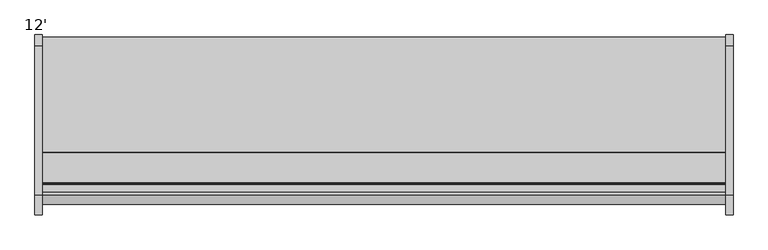
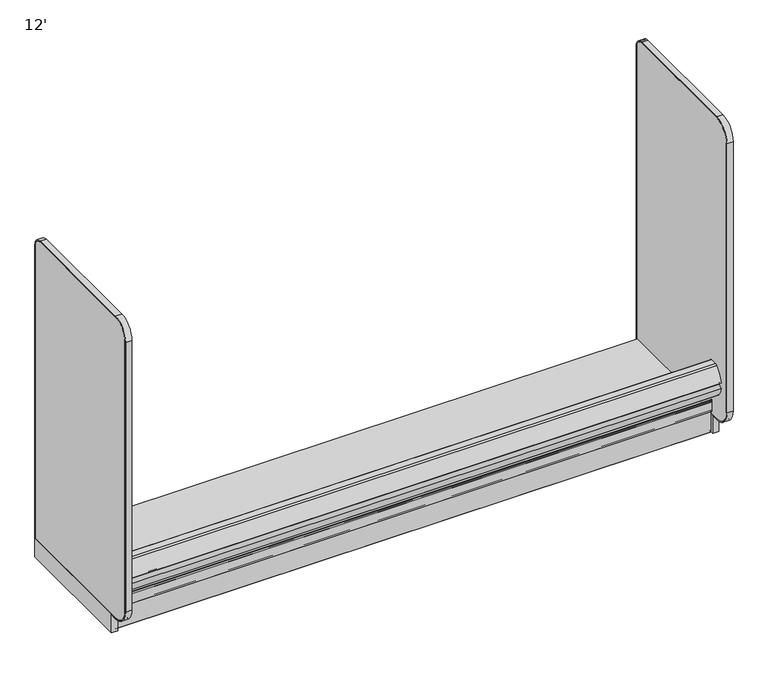
"""IFC4 building model written with IfcOpenShell, lengths in millimetres: proxy geometry, 12'."""

from ifc_helpers import new_model, si_unit, point, frame, frame_2d, origin, origin_with_axes, place, context, project, spatial, polyline, circle_curve, trimmed, segment, composite_curve, outline, extrude, source, transform, mapped, element, save
from ifc_brep_helpers import plane_surface, cylinder_surface, revolved_surface, advanced_brep


def proxy_12_e2f0a7e3(model_context):
    return source(origin(), model_context, "Body", "SolidModel", [
        extrude(outline(composite_curve([segment(polyline([(-1243.8542655, 286.2737065), (-1261.7115584, 286.2737065)]), True, "CONTINUOUS"), segment(trimmed(circle_curve(frame_2d((-1260.9098694, 292.6237065)), 6.4004067), [point((-1261.7115584, 286.2737065))], [point((-1265.7089904, 288.3888933))], False, "CARTESIAN"), True, "CONTINUOUS"), segment(trimmed(circle_curve(frame_2d((-1170.6951097, 372.230503)), 126.7164276), [point((-1265.7089904, 288.3888933))], [point((-1295.6416388, 351.1255769))], False, "CARTESIAN"), True, "CONTINUOUS"), segment(trimmed(circle_curve(frame_2d((-1293.1554914, 368.3)), 17.3534359), [point((-1295.6416388, 351.1255769))], [point((-1275.8020556, 368.3))], True, "CARTESIAN"), True, "CONTINUOUS"), segment(trimmed(circle_curve(frame_2d((-1293.1554914, 368.3)), 17.3534359), [point((-1275.8020556, 368.3))], [point((-1295.5974754, 385.4807581))], True, "CARTESIAN"), True, "CONTINUOUS"), segment(trimmed(circle_curve(frame_2d((-1123.5833576, 340.4920564)), 177.8), [point((-1295.5974754, 385.4807581))], [point((-1246.7017432, 468.7679432))], False, "CARTESIAN"), True, "CONTINUOUS"), segment(trimmed(circle_curve(frame_2d((-1231.2086688, 452.6258548)), 22.3741452), [point((-1246.7017432, 468.7679432))], [point((-1231.2086688, 475.0))], False, "CARTESIAN"), True, "CONTINUOUS"), segment(polyline([(-1231.2086688, 475.0), (-1191.1416396, 475.0)]), True, "CONTINUOUS"), segment(trimmed(circle_curve(frame_2d((-1191.1416396, 471.8702298)), 3.1297702), [point((-1191.1416396, 475.0))], [point((-1188.0118694, 471.8702298))], False, "CARTESIAN"), True, "CONTINUOUS"), segment(polyline([(-1188.0118694, 471.8702298), (-1188.0118694, 435.4061531), (-1192.8459273, 435.4061531), (-1192.8459273, 391.0306785), (-1243.8542655, 391.0306785), (-1243.8542655, 286.2737065)]), True, "CONTINUOUS")], self_intersect=False)), frame((0.0, 0.0, 0.0), z_axis=(1.0, 0.0, 0.0), x_axis=(0.0, 1.0, 0.0)), (0.0, 0.0, 1.0), 3657.6),
        advanced_brep(
        [(3657.6, -1193.9235446, 202.62215), (3657.6, -1191.4724446, 200.17105), (3657.6, -1185.3954946, 200.17105), (3657.6, -1183.7952946, 198.57085), (3657.6, -1183.7952946, 164.8413675), (3657.6, -1185.5732946, 164.8413675), (3657.6, -1185.5732946, 1.55575), (3657.6, -1184.0175446, 0.0), (3657.6, -1166.8090379, 0.0), (3657.6, -1166.8090379, 0.762), (3657.6, -1184.0175446, 0.762), (3657.6, -1184.8112946, 1.55575), (3657.6, -1183.7952946, 1.55575), (3657.6, -1183.7952946, 95.4659), (3657.6, -1182.9316946, 95.4659), (3657.6, -1182.9316946, 198.57085), (3657.6, -1185.3954946, 201.03465), (3657.6, -1191.3975765, 201.03465), (3657.6, -1193.0599446, 202.6970181), (3657.6, -1193.0599446, 214.9081137), (3657.6, -1194.8379446, 214.9081137), (3657.6, -1194.8379446, 140.8717318), (3657.6, -1193.0599446, 140.8717318), (3657.6, -1193.0599446, 150.2537), (3657.6, -1193.9235446, 150.2537), (0.0, -1193.9235446, 202.62215), (0.0, -1193.9235446, 150.2537), (0.0, -1193.0599446, 150.2537), (0.0, -1193.0599446, 140.8717318), (0.0, -1194.8379446, 140.8717318), (0.0, -1194.8379446, 214.9081137), (0.0, -1193.0599446, 214.9081137), (0.0, -1193.0599446, 202.6970181), (0.0, -1191.3975765, 201.03465), (0.0, -1185.3954946, 201.03465), (0.0, -1182.9316946, 198.57085), (0.0, -1182.9316946, 95.4659), (0.0, -1183.7952946, 95.4659), (0.0, -1183.7952946, 1.55575), (0.0, -1184.8112946, 1.55575), (0.0, -1184.0175446, 0.762), (0.0, -1166.8090379, 0.762), (0.0, -1166.8090379, 0.0), (0.0, -1184.0175446, 0.0), (0.0, -1185.5732946, 1.55575), (0.0, -1185.5732946, 164.8413675), (0.0, -1183.7952946, 164.8413675), (0.0, -1183.7952946, 198.57085), (0.0, -1185.3954946, 200.17105), (0.0, -1191.4724446, 200.17105)],
        [
            (0, 1, circle_curve(frame((3657.6, -1191.4724446, 202.62215), z_axis=(1.0, 0.0, 0.0), x_axis=(0.0, 1.0, 0.0)), 2.4511)),
            (1, 2),
            (2, 3, circle_curve(frame((3657.6, -1185.3954946, 198.57085), z_axis=(-1.0, 0.0, 0.0), x_axis=(0.0, 1.0, 0.0)), 1.6002)),
            (3, 4),
            (4, 5, circle_curve(frame((3657.6, -1184.6842946, 164.8413675), z_axis=(1.0, 0.0, 0.0), x_axis=(0.0, 1.0, 0.0)), 0.889)),
            (5, 6),
            (6, 7, circle_curve(frame((3657.6, -1184.0175446, 1.55575), z_axis=(1.0, 0.0, 0.0), x_axis=(0.0, 1.0, 0.0)), 1.55575)),
            (7, 8),
            (8, 9, circle_curve(frame((3657.6, -1166.8090379, 0.381), z_axis=(1.0, 0.0, 0.0), x_axis=(0.0, 1.0, 0.0)), 0.381)),
            (9, 10),
            (10, 11, circle_curve(frame((3657.6, -1184.0175446, 1.55575), z_axis=(-1.0, 0.0, 0.0), x_axis=(0.0, 1.0, 0.0)), 0.79375)),
            (11, 12),
            (12, 13),
            (13, 14),
            (14, 15),
            (15, 16, circle_curve(frame((3657.6, -1185.3954946, 198.57085), z_axis=(1.0, 0.0, 0.0), x_axis=(0.0, 1.0, 0.0)), 2.4638)),
            (16, 17),
            (17, 18, circle_curve(frame((3657.6, -1191.3975765, 202.6970181), z_axis=(-1.0, 0.0, 0.0), x_axis=(0.0, 1.0, 0.0)), 1.6623681)),
            (18, 19),
            (19, 20, circle_curve(frame((3657.6, -1193.9489446, 214.9081137), z_axis=(1.0, 0.0, 0.0), x_axis=(0.0, 1.0, 0.0)), 0.889)),
            (20, 21),
            (21, 22, circle_curve(frame((3657.6, -1193.9489446, 140.8717318), z_axis=(1.0, 0.0, 0.0), x_axis=(0.0, 1.0, 0.0)), 0.889)),
            (22, 23),
            (23, 24),
            (24, 0),
            (25, 26),
            (26, 27),
            (27, 28),
            (28, 29, circle_curve(frame((0.0, -1193.9489446, 140.8717318), z_axis=(-1.0, 0.0, 0.0), x_axis=(0.0, 1.0, 0.0)), 0.889)),
            (29, 30),
            (30, 31, circle_curve(frame((0.0, -1193.9489446, 214.9081137), z_axis=(-1.0, 0.0, 0.0), x_axis=(0.0, 1.0, 0.0)), 0.889)),
            (31, 32),
            (32, 33, circle_curve(frame((0.0, -1191.3975765, 202.6970181), z_axis=(1.0, 0.0, 0.0), x_axis=(0.0, 1.0, 0.0)), 1.6623681)),
            (33, 34),
            (34, 35, circle_curve(frame((0.0, -1185.3954946, 198.57085), z_axis=(-1.0, 0.0, 0.0), x_axis=(0.0, 1.0, 0.0)), 2.4638)),
            (35, 36),
            (36, 37),
            (37, 38),
            (38, 39),
            (39, 40, circle_curve(frame((0.0, -1184.0175446, 1.55575), z_axis=(1.0, 0.0, 0.0), x_axis=(0.0, 1.0, 0.0)), 0.79375)),
            (40, 41),
            (41, 42, circle_curve(frame((0.0, -1166.8090379, 0.381), z_axis=(-1.0, 0.0, 0.0), x_axis=(0.0, 1.0, 0.0)), 0.381)),
            (42, 43),
            (43, 44, circle_curve(frame((0.0, -1184.0175446, 1.55575), z_axis=(-1.0, 0.0, 0.0), x_axis=(0.0, 1.0, 0.0)), 1.55575)),
            (44, 45),
            (45, 46, circle_curve(frame((0.0, -1184.6842946, 164.8413675), z_axis=(-1.0, 0.0, 0.0), x_axis=(0.0, 1.0, 0.0)), 0.889)),
            (46, 47),
            (47, 48, circle_curve(frame((0.0, -1185.3954946, 198.57085), z_axis=(1.0, 0.0, 0.0), x_axis=(0.0, 1.0, 0.0)), 1.6002)),
            (48, 49),
            (49, 25, circle_curve(frame((0.0, -1191.4724446, 202.62215), z_axis=(-1.0, 0.0, 0.0), x_axis=(0.0, 1.0, 0.0)), 2.4511)),
            (0, 25),
            (49, 1),
            (48, 2),
            (47, 3),
            (46, 4),
            (45, 5),
            (44, 6),
            (43, 7),
            (42, 8),
            (41, 9),
            (40, 10),
            (39, 11),
            (38, 12),
            (37, 13),
            (36, 14),
            (35, 15),
            (34, 16),
            (33, 17),
            (32, 18),
            (31, 19),
            (30, 20),
            (29, 21),
            (28, 22),
            (27, 23),
            (26, 24),
        ],
        [
            plane_surface(frame((3657.6, -1189.0213446, 202.62215), z_axis=(1.0, 0.0, 0.0), x_axis=(0.0, 0.0, 1.0))),
            plane_surface(frame((0.0, -1189.0213446, 202.62215), z_axis=(-1.0, 0.0, 0.0), x_axis=(0.0, 0.0, -1.0))),
            cylinder_surface(frame((0.0, -1191.4724446, 202.62215), z_axis=(1.0, 0.0, 0.0), x_axis=(0.0, 1.0, 0.0)), 2.4511),
            plane_surface(frame((3657.6, -1191.4724446, 200.17105), z_axis=(0.0, 0.0, -1.0), x_axis=(-1.0, 0.0, 0.0))),
            revolved_surface(polyline([(0.0, -1183.7952945999998, 198.57085), (3657.6, -1183.7952945999998, 198.57085)]), (0.0, -1185.3954946, 198.57085), (-1.0, 0.0, 0.0)),
            plane_surface(frame((3657.6, -1183.7952946, 198.57085), z_axis=(0.0, -1.0, 0.0), x_axis=(-1.0, 0.0, 0.0))),
            cylinder_surface(frame((0.0, -1184.6842946, 164.8413675), z_axis=(1.0, 0.0, 0.0), x_axis=(0.0, 1.0, 0.0)), 0.889),
            plane_surface(frame((3657.6, -1185.5732946, 164.8413675), z_axis=(0.0, -1.0, 0.0), x_axis=(-1.0, 0.0, 0.0))),
            cylinder_surface(frame((0.0, -1184.0175446, 1.55575), z_axis=(1.0, 0.0, 0.0), x_axis=(0.0, 1.0, 0.0)), 1.55575),
            plane_surface(frame((3657.6, -1184.0175446, 0.0), z_axis=(0.0, 0.0, -1.0), x_axis=(-1.0, 0.0, 0.0))),
            cylinder_surface(frame((0.0, -1166.8090379, 0.381), z_axis=(1.0, 0.0, 0.0), x_axis=(0.0, 1.0, 0.0)), 0.381),
            plane_surface(frame((3657.6, -1166.8090379, 0.762), z_axis=(0.0, 0.0, 1.0), x_axis=(-1.0, 0.0, 0.0))),
            revolved_surface(polyline([(0.0, -1183.2237946, 1.55575), (3657.6, -1183.2237946, 1.55575)]), (0.0, -1184.0175446, 1.55575), (-1.0, 0.0, 0.0)),
            plane_surface(frame((3657.6, -1184.8112946, 1.55575), z_axis=(0.0, 0.0, -1.0), x_axis=(-1.0, 0.0, 0.0))),
            plane_surface(frame((3657.6, -1183.7952946, 1.55575), z_axis=(0.0, 1.0, 0.0), x_axis=(-1.0, 0.0, 0.0))),
            plane_surface(frame((3657.6, -1183.7952946, 95.4659), z_axis=(0.0, 0.0, -1.0), x_axis=(-1.0, 0.0, 0.0))),
            plane_surface(frame((3657.6, -1182.9316946, 95.4659), z_axis=(0.0, 1.0, 0.0), x_axis=(-1.0, 0.0, 0.0))),
            cylinder_surface(frame((0.0, -1185.3954946, 198.57085), z_axis=(1.0, 0.0, 0.0), x_axis=(0.0, 1.0, 0.0)), 2.4638),
            plane_surface(frame((3657.6, -1185.3954946, 201.03465), z_axis=(0.0, 0.0, 1.0), x_axis=(-1.0, 0.0, 0.0))),
            revolved_surface(polyline([(0.0, -1189.7352084, 202.6970181), (3657.6, -1189.7352084, 202.6970181)]), (0.0, -1191.3975765, 202.6970181), (-1.0, 0.0, 0.0)),
            plane_surface(frame((3657.6, -1193.0599446, 202.6970181), z_axis=(0.0, 1.0, 0.0), x_axis=(-1.0, 0.0, 0.0))),
            cylinder_surface(frame((0.0, -1193.9489446, 214.9081137), z_axis=(1.0, 0.0, 0.0), x_axis=(0.0, 1.0, 0.0)), 0.889),
            plane_surface(frame((3657.6, -1194.8379446, 214.9081137), z_axis=(0.0, -1.0, 0.0), x_axis=(-1.0, 0.0, 0.0))),
            cylinder_surface(frame((0.0, -1193.9489446, 140.8717318), z_axis=(1.0, 0.0, 0.0), x_axis=(0.0, 1.0, 0.0)), 0.889),
            plane_surface(frame((3657.6, -1193.0599446, 140.8717318), z_axis=(0.0, 1.0, 0.0), x_axis=(-1.0, 0.0, 0.0))),
            plane_surface(frame((3657.6, -1193.0599446, 150.2537), z_axis=(0.0, 0.0, 1.0), x_axis=(-1.0, 0.0, 0.0))),
            plane_surface(frame((3657.6, -1193.9235446, 150.2537), z_axis=(0.0, 1.0, 0.0), x_axis=(-1.0, 0.0, 0.0))),
        ],
        [
            (0, [[1, 2, 3, 4, 5, 6, 7, 8, 9, 10, 11, 12, 13, 14, 15, 16, 17, 18, 19, 20, 21, 22, 23, 24, 25]]),
            (1, [[26, 27, 28, 29, 30, 31, 32, 33, 34, 35, 36, 37, 38, 39, 40, 41, 42, 43, 44, 45, 46, 47, 48, 49, 50]]),
            (2, [[-1, 51, -50, 52]]),
            (3, [[-2, -52, -49, 53]]),
            (4, [[-3, -53, -48, 54]]),
            (5, [[-4, -54, -47, 55]]),
            (6, [[-5, -55, -46, 56]]),
            (7, [[-6, -56, -45, 57]]),
            (8, [[-7, -57, -44, 58]]),
            (9, [[-8, -58, -43, 59]]),
            (10, [[-9, -59, -42, 60]]),
            (11, [[-10, -60, -41, 61]]),
            (12, [[-11, -61, -40, 62]]),
            (13, [[-12, -62, -39, 63]]),
            (14, [[-13, -63, -38, 64]]),
            (15, [[-14, -64, -37, 65]]),
            (16, [[-15, -65, -36, 66]]),
            (17, [[-16, -66, -35, 67]]),
            (18, [[-17, -67, -34, 68]]),
            (19, [[-18, -68, -33, 69]]),
            (20, [[-19, -69, -32, 70]]),
            (21, [[-20, -70, -31, 71]]),
            (22, [[-21, -71, -30, 72]]),
            (23, [[-22, -72, -29, 73]]),
            (24, [[-23, -73, -28, 74]]),
            (25, [[-24, -74, -27, 75]]),
            (26, [[-25, -75, -26, -51]]),
        ],
    ),
        extrude(outline(composite_curve([segment(polyline([(-1017.4379946, 26.7240044), (-1086.7444337, 8.1534), (-1178.9692946, 8.1534)]), True, "CONTINUOUS"), segment(trimmed(circle_curve(frame_2d((-1178.9692946, 12.1158)), 3.9624), [point((-1178.9692946, 8.1534))], [point((-1182.9316946, 12.1158))], False, "CARTESIAN"), True, "CONTINUOUS"), segment(polyline([(-1182.9316946, 12.1158), (-1182.9316946, 123.6472)]), True, "CONTINUOUS"), segment(trimmed(circle_curve(frame_2d((-1177.7754946, 123.6472)), 5.1562), [point((-1182.9316946, 123.6472))], [point((-1177.7754946, 128.8034))], False, "CARTESIAN"), True, "CONTINUOUS"), segment(polyline([(-1177.7754946, 128.8034), (-1022.5941946, 128.8034)]), True, "CONTINUOUS"), segment(trimmed(circle_curve(frame_2d((-1022.5941946, 123.6472)), 5.1562), [point((-1022.5941946, 128.8034))], [point((-1017.4379946, 123.6472))], False, "CARTESIAN"), True, "CONTINUOUS"), segment(polyline([(-1017.4379946, 123.6472), (-1017.4379946, 26.7240044)]), True, "CONTINUOUS")], self_intersect=False)), frame((0.0, 0.0, 0.0), z_axis=(1.0, 0.0, 0.0), x_axis=(0.0, 1.0, 0.0)), (0.0, 0.0, 1.0), 3657.6),
        extrude(outline(composite_curve([segment(trimmed(circle_curve(frame_2d((-403.8965273, 5.1562)), 2.3876), [point((-401.5089273, 5.1562))], [point((-403.8965273, 2.7686))], False, "CARTESIAN"), True, "CONTINUOUS"), segment(polyline([(-403.8965273, 2.7686), (-436.5089273, 2.7686), (-436.5089273, 74.8810382), (-980.5089273, 74.8810382), (-980.5089273, 2.7751857), (-1015.0491667, 2.7751857)]), True, "CONTINUOUS"), segment(trimmed(circle_curve(frame_2d((-1015.0491667, 5.1667924)), 2.3916067), [point((-1015.0491667, 2.7751857))], [point((-1017.4407734, 5.1667924))], False, "CARTESIAN"), True, "CONTINUOUS"), segment(polyline([(-1017.4407734, 5.1667924), (-1017.4407734, 130.175), (-401.5089273, 130.175), (-401.5089273, 5.1562)]), True, "CONTINUOUS")], self_intersect=False)), frame((0.0, 0.0, 0.0), z_axis=(1.0, 0.0, 0.0), x_axis=(0.0, 1.0, 0.0)), (0.0, 0.0, 1.0), 3657.6),
        extrude(outline(composite_curve([segment(polyline([(-395.1589273, 123.825), (-1245.9560256, 123.825)]), True, "CONTINUOUS"), segment(trimmed(circle_curve(frame_2d((-1245.9560256, 225.425)), 101.6), [point((-1245.9560256, 123.825))], [point((-1347.5560256, 225.425))], False, "CARTESIAN"), True, "CONTINUOUS"), segment(polyline([(-1347.5560256, 225.425), (-1347.5560256, 1978.025)]), True, "CONTINUOUS"), segment(trimmed(circle_curve(frame_2d((-1245.9560256, 1978.025)), 101.6), [point((-1347.5560256, 1978.025))], [point((-1245.9560256, 2079.625))], False, "CARTESIAN"), True, "CONTINUOUS"), segment(polyline([(-1245.9560256, 2079.625), (-445.9589273, 2079.625)]), True, "CONTINUOUS"), segment(trimmed(circle_curve(frame_2d((-445.9589273, 2028.825)), 50.8), [point((-445.9589273, 2079.625))], [point((-395.1589273, 2028.825))], False, "CARTESIAN"), True, "CONTINUOUS"), segment(polyline([(-395.1589273, 2028.825), (-395.1589273, 123.825)]), True, "CONTINUOUS")], self_intersect=False)), frame((3657.6, 0.0, 0.0), z_axis=(1.0, 0.0, 0.0), x_axis=(0.0, 1.0, 0.0)), (0.0, 0.0, 1.0), 38.1),
        extrude(outline(composite_curve([segment(polyline([(-445.9589273, 2079.625), (-1245.9560256, 2079.625)]), True, "CONTINUOUS"), segment(trimmed(circle_curve(frame_2d((-1245.9560256, 1978.025)), 101.6), [point((-1245.9560256, 2079.625))], [point((-1347.5560256, 1978.025))], True, "CARTESIAN"), True, "CONTINUOUS"), segment(polyline([(-1347.5560256, 1978.025), (-1347.5560256, 225.425)]), True, "CONTINUOUS"), segment(trimmed(circle_curve(frame_2d((-1245.9560256, 225.425)), 101.6), [point((-1347.5560256, 225.425))], [point((-1245.9560256, 123.825))], True, "CARTESIAN"), True, "CONTINUOUS"), segment(polyline([(-1245.9560256, 123.825), (-1202.4531511, 123.825), (-1202.4531511, 117.475), (-1245.9560256, 117.475)]), True, "CONTINUOUS"), segment(trimmed(circle_curve(frame_2d((-1245.9560256, 225.425)), 107.95), [point((-1245.9560256, 117.475))], [point((-1353.9060256, 225.425))], False, "CARTESIAN"), True, "CONTINUOUS"), segment(polyline([(-1353.9060256, 225.425), (-1353.9060256, 1978.025)]), True, "CONTINUOUS"), segment(trimmed(circle_curve(frame_2d((-1245.9560256, 1978.025)), 107.95), [point((-1353.9060256, 1978.025))], [point((-1245.9560256, 2085.975))], False, "CARTESIAN"), True, "CONTINUOUS"), segment(polyline([(-1245.9560256, 2085.975), (-445.9589273, 2085.975)]), True, "CONTINUOUS"), segment(trimmed(circle_curve(frame_2d((-445.9589273, 2028.825)), 57.15), [point((-445.9589273, 2085.975))], [point((-388.8089273, 2028.825))], False, "CARTESIAN"), True, "CONTINUOUS"), segment(polyline([(-388.8089273, 2028.825), (-388.8089273, 123.825), (-395.1589273, 123.825), (-395.1589273, 2028.825)]), True, "CONTINUOUS"), segment(trimmed(circle_curve(frame_2d((-445.9589273, 2028.825)), 50.8), [point((-395.1589273, 2028.825))], [point((-445.9589273, 2079.625))], True, "CARTESIAN"), True, "CONTINUOUS")], self_intersect=False)), frame((3657.6, 0.0, 0.0), z_axis=(1.0, 0.0, 0.0), x_axis=(0.0, 1.0, 0.0)), (0.0, 0.0, 1.0), 38.1),
        extrude(outline(polyline([(3695.7, -388.8089273), (3695.7, -1202.4531511), (3657.6, -1202.4531511), (3657.6, -388.8089273), (3695.7, -388.8089273)])), origin_with_axes(), (0.0, 0.0, 1.0), 123.825),
        extrude(outline(composite_curve([segment(polyline([(-395.1589273, 123.825), (-1245.9560256, 123.825)]), True, "CONTINUOUS"), segment(trimmed(circle_curve(frame_2d((-1245.9560256, 225.425)), 101.6), [point((-1245.9560256, 123.825))], [point((-1347.5560256, 225.425))], False, "CARTESIAN"), True, "CONTINUOUS"), segment(polyline([(-1347.5560256, 225.425), (-1347.5560256, 1978.025)]), True, "CONTINUOUS"), segment(trimmed(circle_curve(frame_2d((-1245.9560256, 1978.025)), 101.6), [point((-1347.5560256, 1978.025))], [point((-1245.9560256, 2079.625))], False, "CARTESIAN"), True, "CONTINUOUS"), segment(polyline([(-1245.9560256, 2079.625), (-445.9589273, 2079.625)]), True, "CONTINUOUS"), segment(trimmed(circle_curve(frame_2d((-445.9589273, 2028.825)), 50.8), [point((-445.9589273, 2079.625))], [point((-395.1589273, 2028.825))], False, "CARTESIAN"), True, "CONTINUOUS"), segment(polyline([(-395.1589273, 2028.825), (-395.1589273, 123.825)]), True, "CONTINUOUS")], self_intersect=False)), frame((-38.1, 0.0, 0.0), z_axis=(1.0, 0.0, 0.0), x_axis=(0.0, 1.0, 0.0)), (0.0, 0.0, 1.0), 38.1),
        extrude(outline(composite_curve([segment(polyline([(-445.9589273, 2079.625), (-1245.9560256, 2079.625)]), True, "CONTINUOUS"), segment(trimmed(circle_curve(frame_2d((-1245.9560256, 1978.025)), 101.6), [point((-1245.9560256, 2079.625))], [point((-1347.5560256, 1978.025))], True, "CARTESIAN"), True, "CONTINUOUS"), segment(polyline([(-1347.5560256, 1978.025), (-1347.5560256, 225.425)]), True, "CONTINUOUS"), segment(trimmed(circle_curve(frame_2d((-1245.9560256, 225.425)), 101.6), [point((-1347.5560256, 225.425))], [point((-1245.9560256, 123.825))], True, "CARTESIAN"), True, "CONTINUOUS"), segment(polyline([(-1245.9560256, 123.825), (-1202.4531511, 123.825), (-1202.4531511, 117.475), (-1245.9560256, 117.475)]), True, "CONTINUOUS"), segment(trimmed(circle_curve(frame_2d((-1245.9560256, 225.425)), 107.95), [point((-1245.9560256, 117.475))], [point((-1353.9060256, 225.425))], False, "CARTESIAN"), True, "CONTINUOUS"), segment(polyline([(-1353.9060256, 225.425), (-1353.9060256, 1978.025)]), True, "CONTINUOUS"), segment(trimmed(circle_curve(frame_2d((-1245.9560256, 1978.025)), 107.95), [point((-1353.9060256, 1978.025))], [point((-1245.9560256, 2085.975))], False, "CARTESIAN"), True, "CONTINUOUS"), segment(polyline([(-1245.9560256, 2085.975), (-445.9589273, 2085.975)]), True, "CONTINUOUS"), segment(trimmed(circle_curve(frame_2d((-445.9589273, 2028.825)), 57.15), [point((-445.9589273, 2085.975))], [point((-388.8089273, 2028.825))], False, "CARTESIAN"), True, "CONTINUOUS"), segment(polyline([(-388.8089273, 2028.825), (-388.8089273, 123.825), (-395.1589273, 123.825), (-395.1589273, 2028.825)]), True, "CONTINUOUS"), segment(trimmed(circle_curve(frame_2d((-445.9589273, 2028.825)), 50.8), [point((-395.1589273, 2028.825))], [point((-445.9589273, 2079.625))], True, "CARTESIAN"), True, "CONTINUOUS")], self_intersect=False)), frame((-38.1, 0.0, 0.0), z_axis=(1.0, 0.0, 0.0), x_axis=(0.0, 1.0, 0.0)), (0.0, 0.0, 1.0), 38.1),
        extrude(outline(polyline([(0.0, -388.8089273), (0.0, -1202.4531511), (-38.1, -1202.4531511), (-38.1, -388.8089273), (0.0, -388.8089273)])), origin_with_axes(), (0.0, 0.0, 1.0), 123.825),
    ])


if __name__ == "__main__":
    model = new_model("IFC4")
    model_context = context("Model", 3, world=origin())
    ifc_project = project(units=[si_unit("LENGTHUNIT", "METRE", prefix="MILLI")], contexts=[model_context])
    site = spatial("IfcSite", under=ifc_project)
    building = spatial("IfcBuilding", under=site)
    placement = place(None, origin())
    proxy_12_shape = proxy_12_e2f0a7e3(model_context)
    element("IfcBuildingElementProxy", 1, Name="12'", ObjectType="12'", at=placement, inside=building, context=model_context, shape_type="MappedRepresentation", body=[
        mapped(proxy_12_shape, transform((0.0, 0.0, 0.0), x_axis=(1.0, 0.0, 0.0), y_axis=(0.0, 1.0, 0.0), z_axis=(0.0, 0.0, 1.0))),
    ])
    save(model, "model.ifc")
